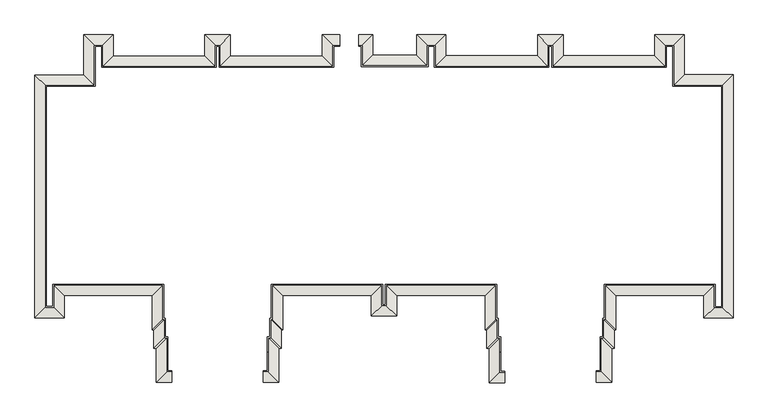
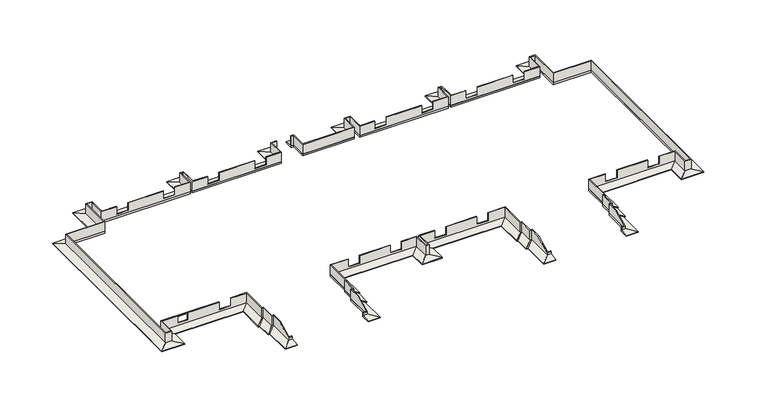
"""IFC4 building model written with IfcOpenShell, lengths in millimetres: wall geometry."""

from ifc_helpers import new_model, si_unit, origin, place, context, project, spatial, faceted_brep, source, transform, mapped, element, save


def wall_ce896fff(model_context):
    return source(origin(), model_context, "Body", "Brep", [
        faceted_brep([(-7400.0, -16535.7022443, -1200.0), (-7400.0, -15835.7022443, -1100.0), (-7400.0, -15835.7022443, -1245.0), (-7400.0, -16535.7022443, -1245.0), (7400.0, -16585.7022443, -1200.0), (7400.0, -16585.7022443, -1245.0), (7400.0, -15885.7022443, -1245.0), (7400.0, -15885.7022443, -1100.0), (-6450.0, -16535.7022443, -1200.0), (-7150.0, -15835.7022443, -1100.0), (-7150.0, -15835.7022443, -1245.0), (-7150.0, -13765.7022443, -1245.0), (-7000.0, -13765.7022443, -1245.0), (-7000.0, -12630.7022443, -1245.0), (-6900.0, -12630.7022443, -1245.0), (-6900.0, -10530.7022443, -1245.0), (-90.0, -10530.7022443, -1245.0), (-90.0, -11785.7022443, -1245.0), (90.0, -11785.7022443, -1245.0), (90.0, -10530.7022443, -1245.0), (6900.0, -10530.7022443, -1245.0), (6900.0, -12630.7022443, -1245.0), (7000.0, -12630.7022443, -1245.0), (7000.0, -13765.7022443, -1245.0), (7150.0, -13765.7022443, -1245.0), (7150.0, -15885.7022443, -1245.0), (6450.0, -16585.7022443, -1245.0), (6450.0, -14465.7022443, -1245.0), (6300.0, -14465.7022443, -1245.0), (6300.0, -13330.7022443, -1245.0), (6200.0, -13330.7022443, -1245.0), (6200.0, -11230.7022443, -1245.0), (790.0, -11230.7022443, -1245.0), (790.0, -12485.7022443, -1245.0), (-790.0, -12485.7022443, -1245.0), (-790.0, -11230.7022443, -1245.0), (-6200.0, -11230.7022443, -1245.0), (-6200.0, -13330.7022443, -1245.0), (-6300.0, -13330.7022443, -1245.0), (-6300.0, -14465.7022443, -1245.0), (-6450.0, -14465.7022443, -1245.0), (-6450.0, -16535.7022443, -1245.0), (-6450.0, -14465.7022443, -1200.0), (-7150.0, -13765.7022443, -1100.0), (-6300.0, -14465.7022443, -1200.0), (-7000.0, -13765.7022443, -1100.0), (-6300.0, -13330.7022443, -1200.0), (-7000.0, -12630.7022443, -1100.0), (-6200.0, -13330.7022443, -1200.0), (-6900.0, -12630.7022443, -1100.0), (-6200.0, -11230.7022443, -1200.0), (-6900.0, -10530.7022443, -1100.0), (-790.0, -11230.7022443, -1200.0), (-90.0, -10530.7022443, -1100.0), (-790.0, -12485.7022443, -1200.0), (-90.0, -11785.7022443, -1100.0), (790.0, -12485.7022443, -1200.0), (90.0, -11785.7022443, -1100.0), (790.0, -11230.7022443, -1200.0), (90.0, -10530.7022443, -1100.0), (6200.0, -11230.7022443, -1200.0), (6900.0, -10530.7022443, -1100.0), (6200.0, -13330.7022443, -1200.0), (6900.0, -12630.7022443, -1100.0), (6300.0, -13330.7022443, -1200.0), (7000.0, -12630.7022443, -1100.0), (6300.0, -14465.7022443, -1200.0), (7000.0, -13765.7022443, -1100.0), (6450.0, -14465.7022443, -1200.0), (7150.0, -13765.7022443, -1100.0), (6450.0, -16585.7022443, -1200.0), (7150.0, -15885.7022443, -1100.0)], [[[0, 1, 2, 3]], [[4, 5, 6, 7]], [[1, 0, 8, 9]], [[2, 1, 9, 10]], [[3, 2, 10, 11, 12, 13, 14, 15, 16, 17, 18, 19, 20, 21, 22, 23, 24, 25, 6, 5, 26, 27, 28, 29, 30, 31, 32, 33, 34, 35, 36, 37, 38, 39, 40, 41]], [[0, 3, 41, 8]], [[9, 8, 42, 43]], [[10, 9, 43, 11]], [[41, 40, 42, 8]], [[43, 42, 44, 45]], [[12, 11, 43, 45]], [[40, 39, 44, 42]], [[45, 44, 46, 47]], [[13, 12, 45, 47]], [[39, 38, 46, 44]], [[47, 46, 48, 49]], [[14, 13, 47, 49]], [[38, 37, 48, 46]], [[49, 48, 50, 51]], [[15, 14, 49, 51]], [[37, 36, 50, 48]], [[51, 50, 52, 53]], [[16, 15, 51, 53]], [[36, 35, 52, 50]], [[53, 52, 54, 55]], [[17, 16, 53, 55]], [[35, 34, 54, 52]], [[55, 54, 56, 57]], [[18, 17, 55, 57]], [[34, 33, 56, 54]], [[57, 56, 58, 59]], [[19, 18, 57, 59]], [[33, 32, 58, 56]], [[59, 58, 60, 61]], [[20, 19, 59, 61]], [[32, 31, 60, 58]], [[61, 60, 62, 63]], [[21, 20, 61, 63]], [[31, 30, 62, 60]], [[63, 62, 64, 65]], [[22, 21, 63, 65]], [[30, 29, 64, 62]], [[65, 64, 66, 67]], [[23, 22, 65, 67]], [[29, 28, 66, 64]], [[67, 66, 68, 69]], [[24, 23, 67, 69]], [[28, 27, 68, 66]], [[69, 68, 70, 71]], [[25, 24, 69, 71]], [[27, 26, 70, 68]], [[4, 7, 71, 70]], [[7, 6, 25, 71]], [[5, 4, 70, 26]]]),
        faceted_brep([(-7400.0, -15835.7022443, -1092.8571429), (-7400.0, -15885.7022443, -1100.0), (-7400.0, -15885.7022443, -910.0), (-7400.0, -15835.7022443, -885.0), (7400.0, -15935.7022443, -1100.0), (7400.0, -15885.7022443, -1092.8571429), (7400.0, -15885.7022443, -910.0), (7400.0, -15935.7022443, -935.0), (-7150.0, -15835.7022443, -1092.8571429), (-7150.0, -15835.7022443, -885.0), (-7100.0, -15885.7022443, -1100.0), (-7100.0, -15885.7022443, -910.0), (-7100.0, -13815.7022443, -300.0), (-6950.0, -13815.7022443, -300.0), (-6950.0, -12680.7022443, -300.0), (-6850.0, -12680.7022443, -300.0), (-6850.0, -10580.7022443, -300.0), (-5530.0, -10580.7022443, -300.0), (-5530.0, -10530.7022443, -300.0), (-6900.0, -10530.7022443, -300.0), (-6900.0, -12630.7022443, -300.0), (-7000.0, -12630.7022443, -300.0), (-7000.0, -13765.7022443, -300.0), (-7150.0, -13765.7022443, -300.0), (-7150.0, -14665.7022443, -300.0), (-7100.0, -14665.7022443, -300.0), (-140.0, -10580.7022443, -300.0), (-140.0, -11835.7022443, -300.0), (140.0, -11835.7022443, -300.0), (140.0, -10580.7022443, -300.0), (1290.0, -10580.7022443, -300.0), (1290.0, -10530.7022443, -300.0), (90.0, -10530.7022443, -300.0), (90.0, -11785.7022443, -300.0), (-90.0, -11785.7022443, -300.0), (-90.0, -10530.7022443, -300.0), (-1290.0, -10530.7022443, -300.0), (-1290.0, -10580.7022443, -300.0), (6850.0, -10580.7022443, -300.0), (6850.0, -12680.7022443, -300.0), (6950.0, -12680.7022443, -300.0), (6950.0, -13815.7022443, -300.0), (7100.0, -13815.7022443, -300.0), (7100.0, -14665.7022443, -300.0), (7150.0, -14665.7022443, -300.0), (7150.0, -13765.7022443, -300.0), (7000.0, -13765.7022443, -300.0), (7000.0, -12630.7022443, -300.0), (6900.0, -12630.7022443, -300.0), (6900.0, -10530.7022443, -300.0), (5530.0, -10530.7022443, -300.0), (5530.0, -10580.7022443, -300.0), (-2200.0, -10580.7022443, -300.0), (-2200.0, -10530.7022443, -300.0), (-4620.0, -10530.7022443, -300.0), (-4620.0, -10580.7022443, -300.0), (2200.0, -10530.7022443, -300.0), (2200.0, -10580.7022443, -300.0), (4620.0, -10580.7022443, -300.0), (4620.0, -10530.7022443, -300.0), (-7150.0, -13765.7022443, -1092.8571429), (-7100.0, -13815.7022443, -1100.0), (-7000.0, -13765.7022443, -1092.8571429), (-6950.0, -13815.7022443, -1100.0), (-7000.0, -12630.7022443, -1092.8571429), (-6950.0, -12680.7022443, -1100.0), (-6900.0, -12630.7022443, -1092.8571429), (-6850.0, -12680.7022443, -1100.0), (-6900.0, -10530.7022443, -1092.8571429), (-6850.0, -10580.7022443, -1100.0), (-5530.0, -10530.7022443, -930.0), (-4620.0, -10530.7022443, -930.0), (-2200.0, -10530.7022443, -930.0), (-1290.0, -10530.7022443, -930.0), (-90.0, -10530.7022443, -1092.8571429), (-140.0, -10580.7022443, -1100.0), (-1290.0, -10580.7022443, -930.0), (-2200.0, -10580.7022443, -930.0), (-4620.0, -10580.7022443, -930.0), (-5530.0, -10580.7022443, -930.0), (-90.0, -11785.7022443, -1092.8571429), (-140.0, -11835.7022443, -1100.0), (90.0, -11785.7022443, -1092.8571429), (140.0, -11835.7022443, -1100.0), (90.0, -10530.7022443, -1092.8571429), (140.0, -10580.7022443, -1100.0), (1290.0, -10530.7022443, -930.0), (2200.0, -10530.7022443, -930.0), (4620.0, -10530.7022443, -930.0), (5530.0, -10530.7022443, -930.0), (6900.0, -10530.7022443, -1092.8571429), (6850.0, -10580.7022443, -1100.0), (5530.0, -10580.7022443, -930.0), (4620.0, -10580.7022443, -930.0), (2200.0, -10580.7022443, -930.0), (1290.0, -10580.7022443, -930.0), (6900.0, -12630.7022443, -1092.8571429), (6850.0, -12680.7022443, -1100.0), (7000.0, -12630.7022443, -1092.8571429), (6950.0, -12680.7022443, -1100.0), (7000.0, -13765.7022443, -1092.8571429), (6950.0, -13815.7022443, -1100.0), (7150.0, -13765.7022443, -1092.8571429), (7100.0, -13815.7022443, -1100.0), (7150.0, -15885.7022443, -910.0), (7150.0, -15885.7022443, -1092.8571429), (7100.0, -15935.7022443, -1100.0), (7100.0, -15935.7022443, -935.0)], [[[0, 1, 2, 3]], [[4, 5, 6, 7]], [[8, 0, 3, 9]], [[1, 0, 8, 10]], [[1, 10, 11, 2]], [[12, 13, 14, 15, 16, 17, 18, 19, 20, 21, 22, 23, 24, 25]], [[26, 27, 28, 29, 30, 31, 32, 33, 34, 35, 36, 37]], [[38, 39, 40, 41, 42, 43, 44, 45, 46, 47, 48, 49, 50, 51]], [[52, 53, 54, 55]], [[56, 57, 58, 59]], [[23, 60, 8, 9, 24]], [[10, 8, 60, 61]], [[10, 61, 12, 25, 11]], [[23, 22, 62, 60]], [[61, 60, 62, 63]], [[13, 12, 61, 63]], [[22, 21, 64, 62]], [[63, 62, 64, 65]], [[14, 13, 63, 65]], [[21, 20, 66, 64]], [[65, 64, 66, 67]], [[15, 14, 65, 67]], [[20, 19, 68, 66]], [[67, 66, 68, 69]], [[16, 15, 67, 69]], [[68, 19, 18, 70, 71, 54, 53, 72, 73, 36, 35, 74]], [[69, 68, 74, 75]], [[16, 69, 75, 26, 37, 76, 77, 52, 55, 78, 79, 17]], [[35, 34, 80, 74]], [[75, 74, 80, 81]], [[27, 26, 75, 81]], [[34, 33, 82, 80]], [[81, 80, 82, 83]], [[28, 27, 81, 83]], [[33, 32, 84, 82]], [[83, 82, 84, 85]], [[29, 28, 83, 85]], [[84, 32, 31, 86, 87, 56, 59, 88, 89, 50, 49, 90]], [[85, 84, 90, 91]], [[29, 85, 91, 38, 51, 92, 93, 58, 57, 94, 95, 30]], [[49, 48, 96, 90]], [[91, 90, 96, 97]], [[39, 38, 91, 97]], [[48, 47, 98, 96]], [[97, 96, 98, 99]], [[40, 39, 97, 99]], [[47, 46, 100, 98]], [[99, 98, 100, 101]], [[41, 40, 99, 101]], [[46, 45, 102, 100]], [[101, 100, 102, 103]], [[42, 41, 101, 103]], [[102, 45, 44, 104, 105]], [[103, 102, 105, 106]], [[42, 103, 106, 107, 43]], [[5, 105, 104, 6]], [[5, 4, 106, 105]], [[106, 4, 7, 107]], [[3, 2, 11, 25, 24, 9]], [[7, 6, 104, 44, 43, 107]], [[76, 73, 72, 77]], [[77, 72, 53, 52]], [[73, 76, 37, 36]], [[94, 87, 86, 95]], [[95, 86, 31, 30]], [[87, 94, 57, 56]], [[92, 89, 88, 93]], [[93, 88, 59, 58]], [[89, 92, 51, 50]], [[78, 71, 70, 79]], [[79, 70, 18, 17]], [[71, 78, 55, 54]]]),
        faceted_brep([(13000.0, -16535.7022443, -1200.0), (13000.0, -15835.7022443, -1100.0), (13000.0, -15835.7022443, -1245.0), (13000.0, -16535.7022443, -1245.0), (-1560.0, 4774.2977557, -1200.0), (-1560.0, 4774.2977557, -1245.0), (-1560.0, 4074.2977557, -1245.0), (-1560.0, 4074.2977557, -1100.0), (13950.0, -16535.7022443, -1200.0), (13250.0, -15835.7022443, -1100.0), (13250.0, -15835.7022443, -1245.0), (13250.0, -13765.7022443, -1245.0), (13400.0, -13765.7022443, -1245.0), (13400.0, -12630.7022443, -1245.0), (13500.0, -12630.7022443, -1245.0), (13500.0, -10530.7022443, -1245.0), (20310.0, -10530.7022443, -1245.0), (20310.0, -11905.7022443, -1245.0), (20700.0, -11905.7022443, -1245.0), (20700.0, 1619.2977557, -1245.0), (17700.0, 1619.2977557, -1245.0), (17700.0, 4074.2977557, -1245.0), (17310.0, 4074.2977557, -1245.0), (17310.0, 2784.2977557, -1245.0), (10290.0, 2784.2977557, -1245.0), (10290.0, 4074.2977557, -1245.0), (10110.0, 4074.2977557, -1245.0), (10110.0, 2784.2977557, -1245.0), (3095.0, 2784.2977557, -1245.0), (3095.0, 4074.2977557, -1245.0), (2700.0, 4074.2977557, -1245.0), (2700.0, 2834.2977557, -1245.0), (-1380.0, 2834.2977557, -1245.0), (-1380.0, 4074.2977557, -1245.0), (-680.0, 4774.2977557, -1245.0), (-680.0, 3534.2977557, -1245.0), (2000.0, 3534.2977557, -1245.0), (2000.0, 4774.2977557, -1245.0), (3795.0, 4774.2977557, -1245.0), (3795.0, 3484.2977557, -1245.0), (9410.0, 3484.2977557, -1245.0), (9410.0, 4774.2977557, -1245.0), (10990.0, 4774.2977557, -1245.0), (10990.0, 3484.2977557, -1245.0), (16610.0, 3484.2977557, -1245.0), (16610.0, 4774.2977557, -1245.0), (18400.0, 4774.2977557, -1245.0), (18400.0, 2319.2977557, -1245.0), (21400.0, 2319.2977557, -1245.0), (21400.0, -12605.7022443, -1245.0), (19610.0, -12605.7022443, -1245.0), (19610.0, -11230.7022443, -1245.0), (14200.0, -11230.7022443, -1245.0), (14200.0, -13330.7022443, -1245.0), (14100.0, -13330.7022443, -1245.0), (14100.0, -14465.7022443, -1245.0), (13950.0, -14465.7022443, -1245.0), (13950.0, -16535.7022443, -1245.0), (13950.0, -14465.7022443, -1200.0), (13250.0, -13765.7022443, -1100.0), (14100.0, -14465.7022443, -1200.0), (13400.0, -13765.7022443, -1100.0), (14100.0, -13330.7022443, -1200.0), (13400.0, -12630.7022443, -1100.0), (14200.0, -13330.7022443, -1200.0), (13500.0, -12630.7022443, -1100.0), (14200.0, -11230.7022443, -1200.0), (13500.0, -10530.7022443, -1100.0), (19610.0, -11230.7022443, -1200.0), (20310.0, -10530.7022443, -1100.0), (19610.0, -12605.7022443, -1200.0), (20310.0, -11905.7022443, -1100.0), (21400.0, -12605.7022443, -1200.0), (20700.0, -11905.7022443, -1100.0), (21400.0, 2319.2977557, -1200.0), (20700.0, 1619.2977557, -1100.0), (18400.0, 2319.2977557, -1200.0), (17700.0, 1619.2977557, -1100.0), (18400.0, 4774.2977557, -1200.0), (17700.0, 4074.2977557, -1100.0), (16610.0, 4774.2977557, -1200.0), (17310.0, 4074.2977557, -1100.0), (16610.0, 3484.2977557, -1200.0), (17310.0, 2784.2977557, -1100.0), (10990.0, 3484.2977557, -1200.0), (10290.0, 2784.2977557, -1100.0), (10990.0, 4774.2977557, -1200.0), (10290.0, 4074.2977557, -1100.0), (9410.0, 4774.2977557, -1200.0), (10110.0, 4074.2977557, -1100.0), (9410.0, 3484.2977557, -1200.0), (10110.0, 2784.2977557, -1100.0), (3795.0, 3484.2977557, -1200.0), (3095.0, 2784.2977557, -1100.0), (3795.0, 4774.2977557, -1200.0), (3095.0, 4074.2977557, -1100.0), (2000.0, 4774.2977557, -1200.0), (2700.0, 4074.2977557, -1100.0), (2000.0, 3534.2977557, -1200.0), (2700.0, 2834.2977557, -1100.0), (-680.0, 3534.2977557, -1200.0), (-1380.0, 2834.2977557, -1100.0), (-680.0, 4774.2977557, -1200.0), (-1380.0, 4074.2977557, -1100.0)], [[[0, 1, 2, 3]], [[4, 5, 6, 7]], [[1, 0, 8, 9]], [[2, 1, 9, 10]], [[3, 2, 10, 11, 12, 13, 14, 15, 16, 17, 18, 19, 20, 21, 22, 23, 24, 25, 26, 27, 28, 29, 30, 31, 32, 33, 6, 5, 34, 35, 36, 37, 38, 39, 40, 41, 42, 43, 44, 45, 46, 47, 48, 49, 50, 51, 52, 53, 54, 55, 56, 57]], [[0, 3, 57, 8]], [[9, 8, 58, 59]], [[10, 9, 59, 11]], [[57, 56, 58, 8]], [[59, 58, 60, 61]], [[12, 11, 59, 61]], [[56, 55, 60, 58]], [[61, 60, 62, 63]], [[13, 12, 61, 63]], [[55, 54, 62, 60]], [[63, 62, 64, 65]], [[14, 13, 63, 65]], [[54, 53, 64, 62]], [[65, 64, 66, 67]], [[15, 14, 65, 67]], [[53, 52, 66, 64]], [[67, 66, 68, 69]], [[16, 15, 67, 69]], [[52, 51, 68, 66]], [[69, 68, 70, 71]], [[17, 16, 69, 71]], [[51, 50, 70, 68]], [[71, 70, 72, 73]], [[18, 17, 71, 73]], [[50, 49, 72, 70]], [[73, 72, 74, 75]], [[19, 18, 73, 75]], [[49, 48, 74, 72]], [[75, 74, 76, 77]], [[20, 19, 75, 77]], [[48, 47, 76, 74]], [[77, 76, 78, 79]], [[21, 20, 77, 79]], [[47, 46, 78, 76]], [[79, 78, 80, 81]], [[22, 21, 79, 81]], [[46, 45, 80, 78]], [[81, 80, 82, 83]], [[23, 22, 81, 83]], [[45, 44, 82, 80]], [[83, 82, 84, 85]], [[24, 23, 83, 85]], [[44, 43, 84, 82]], [[85, 84, 86, 87]], [[25, 24, 85, 87]], [[43, 42, 86, 84]], [[87, 86, 88, 89]], [[26, 25, 87, 89]], [[42, 41, 88, 86]], [[89, 88, 90, 91]], [[27, 26, 89, 91]], [[41, 40, 90, 88]], [[91, 90, 92, 93]], [[28, 27, 91, 93]], [[40, 39, 92, 90]], [[93, 92, 94, 95]], [[29, 28, 93, 95]], [[39, 38, 94, 92]], [[95, 94, 96, 97]], [[30, 29, 95, 97]], [[38, 37, 96, 94]], [[97, 96, 98, 99]], [[31, 30, 97, 99]], [[37, 36, 98, 96]], [[99, 98, 100, 101]], [[32, 31, 99, 101]], [[36, 35, 100, 98]], [[101, 100, 102, 103]], [[33, 32, 101, 103]], [[35, 34, 102, 100]], [[4, 7, 103, 102]], [[7, 6, 33, 103]], [[5, 4, 102, 34]]]),
        faceted_brep([(13000.0, -15835.7022443, -1092.8571429), (13000.0, -15885.7022443, -1100.0), (13000.0, -15885.7022443, -910.0), (13000.0, -15835.7022443, -885.0), (-1560.0, 4074.2977557, -300.0), (-1560.0, 4124.2977557, -300.0), (-1560.0, 4124.2977557, -1100.0), (-1560.0, 4074.2977557, -1092.8571429), (13250.0, -15835.7022443, -1092.8571429), (13250.0, -15835.7022443, -885.0), (13300.0, -15885.7022443, -1100.0), (13300.0, -15885.7022443, -910.0), (-1380.0, 4074.2977557, -300.0), (-1380.0, 2834.2977557, -300.0), (2700.0, 2834.2977557, -300.0), (2700.0, 4074.2977557, -300.0), (3095.0, 4074.2977557, -300.0), (3095.0, 2784.2977557, -300.0), (4295.0, 2784.2977557, -300.0), (4295.0, 2834.2977557, -300.0), (3145.0, 2834.2977557, -300.0), (3145.0, 4124.2977557, -300.0), (2650.0, 4124.2977557, -300.0), (2650.0, 2884.2977557, -300.0), (-1330.0, 2884.2977557, -300.0), (-1330.0, 4124.2977557, -300.0), (13300.0, -13815.7022443, -300.0), (13450.0, -13815.7022443, -300.0), (13450.0, -12680.7022443, -300.0), (13550.0, -12680.7022443, -300.0), (13550.0, -10580.7022443, -300.0), (14790.0, -10580.7022443, -300.0), (14790.0, -10530.7022443, -300.0), (13500.0, -10530.7022443, -300.0), (13500.0, -12630.7022443, -300.0), (13400.0, -12630.7022443, -300.0), (13400.0, -13765.7022443, -300.0), (13250.0, -13765.7022443, -300.0), (13250.0, -14665.7022443, -300.0), (13300.0, -14665.7022443, -300.0), (20260.0, -10580.7022443, -300.0), (20260.0, -11955.7022443, -300.0), (20750.0, -11955.7022443, -300.0), (20750.0, 1669.2977557, -300.0), (17750.0, 1669.2977557, -300.0), (17750.0, 4124.2977557, -300.0), (17260.0, 4124.2977557, -300.0), (17260.0, 2834.2977557, -300.0), (16105.0, 2834.2977557, -300.0), (16105.0, 2784.2977557, -300.0), (17310.0, 2784.2977557, -300.0), (17310.0, 4074.2977557, -300.0), (17700.0, 4074.2977557, -300.0), (17700.0, 1619.2977557, -300.0), (20700.0, 1619.2977557, -300.0), (20700.0, -11905.7022443, -300.0), (20310.0, -11905.7022443, -300.0), (20310.0, -10530.7022443, -300.0), (19030.0, -10530.7022443, -300.0), (19030.0, -10580.7022443, -300.0), (10340.0, 2834.2977557, -300.0), (10340.0, 4124.2977557, -300.0), (10060.0, 4124.2977557, -300.0), (10060.0, 2834.2977557, -300.0), (8910.0, 2834.2977557, -300.0), (8910.0, 2784.2977557, -300.0), (10110.0, 2784.2977557, -300.0), (10110.0, 4074.2977557, -300.0), (10290.0, 4074.2977557, -300.0), (10290.0, 2784.2977557, -300.0), (11490.0, 2784.2977557, -300.0), (11490.0, 2834.2977557, -300.0), (8000.0, 2784.2977557, -300.0), (8000.0, 2834.2977557, -300.0), (5205.0, 2834.2977557, -300.0), (5205.0, 2784.2977557, -300.0), (18120.0, -10580.7022443, -300.0), (18120.0, -10530.7022443, -300.0), (15700.0, -10530.7022443, -300.0), (15700.0, -10580.7022443, -300.0), (15195.0, 2784.2977557, -300.0), (15195.0, 2834.2977557, -300.0), (12400.0, 2834.2977557, -300.0), (12400.0, 2784.2977557, -300.0), (13250.0, -13765.7022443, -1092.8571429), (13300.0, -13815.7022443, -1100.0), (13400.0, -13765.7022443, -1092.8571429), (13450.0, -13815.7022443, -1100.0), (13400.0, -12630.7022443, -1092.8571429), (13450.0, -12680.7022443, -1100.0), (13500.0, -12630.7022443, -1092.8571429), (13550.0, -12680.7022443, -1100.0), (13500.0, -10530.7022443, -1092.8571429), (13550.0, -10580.7022443, -1100.0), (14790.0, -10530.7022443, -930.0), (15700.0, -10530.7022443, -930.0), (18120.0, -10530.7022443, -930.0), (19030.0, -10530.7022443, -930.0), (20310.0, -10530.7022443, -1092.8571429), (20260.0, -10580.7022443, -1100.0), (19030.0, -10580.7022443, -930.0), (18120.0, -10580.7022443, -930.0), (15700.0, -10580.7022443, -930.0), (14790.0, -10580.7022443, -930.0), (20310.0, -11905.7022443, -1092.8571429), (20260.0, -11955.7022443, -1100.0), (20700.0, -11905.7022443, -1092.8571429), (20750.0, -11955.7022443, -1100.0), (20700.0, 1619.2977557, -1092.8571429), (20750.0, 1669.2977557, -1100.0), (17700.0, 1619.2977557, -1092.8571429), (17750.0, 1669.2977557, -1100.0), (17700.0, 4074.2977557, -1092.8571429), (17750.0, 4124.2977557, -1100.0), (17310.0, 4074.2977557, -1092.8571429), (17260.0, 4124.2977557, -1100.0), (17310.0, 2784.2977557, -1092.8571429), (17260.0, 2834.2977557, -1100.0), (16105.0, 2784.2977557, -930.0), (15195.0, 2784.2977557, -930.0), (12400.0, 2784.2977557, -930.0), (11490.0, 2784.2977557, -930.0), (10290.0, 2784.2977557, -1092.8571429), (10340.0, 2834.2977557, -1100.0), (11490.0, 2834.2977557, -930.0), (12400.0, 2834.2977557, -930.0), (15195.0, 2834.2977557, -930.0), (16105.0, 2834.2977557, -930.0), (10290.0, 4074.2977557, -1092.8571429), (10340.0, 4124.2977557, -1100.0), (10110.0, 4074.2977557, -1092.8571429), (10060.0, 4124.2977557, -1100.0), (10110.0, 2784.2977557, -1092.8571429), (10060.0, 2834.2977557, -1100.0), (8910.0, 2784.2977557, -930.0), (8000.0, 2784.2977557, -930.0), (5205.0, 2784.2977557, -930.0), (4295.0, 2784.2977557, -930.0), (3095.0, 2784.2977557, -1092.8571429), (3145.0, 2834.2977557, -1100.0), (4295.0, 2834.2977557, -930.0), (5205.0, 2834.2977557, -930.0), (8000.0, 2834.2977557, -930.0), (8910.0, 2834.2977557, -930.0), (3095.0, 4074.2977557, -1092.8571429), (3145.0, 4124.2977557, -1100.0), (2700.0, 4074.2977557, -1092.8571429), (2650.0, 4124.2977557, -1100.0), (2700.0, 2834.2977557, -1092.8571429), (2650.0, 2884.2977557, -1100.0), (-1380.0, 2834.2977557, -1092.8571429), (-1330.0, 2884.2977557, -1100.0), (-1380.0, 4074.2977557, -1092.8571429), (-1330.0, 4124.2977557, -1100.0)], [[[0, 1, 2, 3]], [[4, 5, 6, 7]], [[8, 0, 3, 9]], [[1, 0, 8, 10]], [[1, 10, 11, 2]], [[5, 4, 12, 13, 14, 15, 16, 17, 18, 19, 20, 21, 22, 23, 24, 25]], [[26, 27, 28, 29, 30, 31, 32, 33, 34, 35, 36, 37, 38, 39]], [[40, 41, 42, 43, 44, 45, 46, 47, 48, 49, 50, 51, 52, 53, 54, 55, 56, 57, 58, 59]], [[60, 61, 62, 63, 64, 65, 66, 67, 68, 69, 70, 71]], [[72, 73, 74, 75]], [[76, 77, 78, 79]], [[80, 81, 82, 83]], [[37, 84, 8, 9, 38]], [[10, 8, 84, 85]], [[10, 85, 26, 39, 11]], [[37, 36, 86, 84]], [[85, 84, 86, 87]], [[27, 26, 85, 87]], [[36, 35, 88, 86]], [[87, 86, 88, 89]], [[28, 27, 87, 89]], [[35, 34, 90, 88]], [[89, 88, 90, 91]], [[29, 28, 89, 91]], [[34, 33, 92, 90]], [[91, 90, 92, 93]], [[30, 29, 91, 93]], [[92, 33, 32, 94, 95, 78, 77, 96, 97, 58, 57, 98]], [[93, 92, 98, 99]], [[30, 93, 99, 40, 59, 100, 101, 76, 79, 102, 103, 31]], [[57, 56, 104, 98]], [[99, 98, 104, 105]], [[41, 40, 99, 105]], [[56, 55, 106, 104]], [[105, 104, 106, 107]], [[42, 41, 105, 107]], [[55, 54, 108, 106]], [[107, 106, 108, 109]], [[43, 42, 107, 109]], [[54, 53, 110, 108]], [[109, 108, 110, 111]], [[44, 43, 109, 111]], [[53, 52, 112, 110]], [[111, 110, 112, 113]], [[45, 44, 111, 113]], [[52, 51, 114, 112]], [[113, 112, 114, 115]], [[46, 45, 113, 115]], [[51, 50, 116, 114]], [[115, 114, 116, 117]], [[47, 46, 115, 117]], [[116, 50, 49, 118, 119, 80, 83, 120, 121, 70, 69, 122]], [[117, 116, 122, 123]], [[47, 117, 123, 60, 71, 124, 125, 82, 81, 126, 127, 48]], [[69, 68, 128, 122]], [[123, 122, 128, 129]], [[61, 60, 123, 129]], [[68, 67, 130, 128]], [[129, 128, 130, 131]], [[62, 61, 129, 131]], [[67, 66, 132, 130]], [[131, 130, 132, 133]], [[63, 62, 131, 133]], [[132, 66, 65, 134, 135, 72, 75, 136, 137, 18, 17, 138]], [[133, 132, 138, 139]], [[63, 133, 139, 20, 19, 140, 141, 74, 73, 142, 143, 64]], [[17, 16, 144, 138]], [[139, 138, 144, 145]], [[21, 20, 139, 145]], [[16, 15, 146, 144]], [[145, 144, 146, 147]], [[22, 21, 145, 147]], [[15, 14, 148, 146]], [[147, 146, 148, 149]], [[23, 22, 147, 149]], [[14, 13, 150, 148]], [[149, 148, 150, 151]], [[24, 23, 149, 151]], [[13, 12, 152, 150]], [[151, 150, 152, 153]], [[25, 24, 151, 153]], [[4, 7, 152, 12]], [[7, 6, 153, 152]], [[6, 5, 25, 153]], [[3, 2, 11, 39, 38, 9]], [[100, 97, 96, 101]], [[101, 96, 77, 76]], [[97, 100, 59, 58]], [[118, 127, 126, 119]], [[119, 126, 81, 80]], [[127, 118, 49, 48]], [[120, 125, 124, 121]], [[121, 124, 71, 70]], [[125, 120, 83, 82]], [[134, 143, 142, 135]], [[135, 142, 73, 72]], [[143, 134, 65, 64]], [[102, 95, 94, 103]], [[103, 94, 32, 31]], [[95, 102, 79, 78]], [[136, 141, 140, 137]], [[137, 140, 19, 18]], [[141, 136, 75, 74]]]),
        faceted_brep([(-2700.0, 4774.2977557, -1200.0), (-2700.0, 4074.2977557, -1100.0), (-2700.0, 4074.2977557, -1245.0), (-2700.0, 4774.2977557, -1245.0), (-3090.0, 2779.2977557, -1100.0), (-3790.0, 3479.2977557, -1200.0), (-9410.0, 3479.2977557, -1200.0), (-10110.0, 2779.2977557, -1100.0), (-3090.0, 2779.2977557, -1245.0), (-10110.0, 2779.2977557, -1245.0), (-3790.0, 3479.2977557, -1245.0), (-9410.0, 3479.2977557, -1245.0), (-17310.0, 2779.2977557, -1100.0), (-16610.0, 3479.2977557, -1200.0), (-16610.0, 4774.2977557, -1200.0), (-17310.0, 4074.2977557, -1100.0), (-17310.0, 2779.2977557, -1245.0), (-17310.0, 4074.2977557, -1245.0), (-16610.0, 3479.2977557, -1245.0), (-16610.0, 4774.2977557, -1245.0), (-18400.0, 4774.2977557, -1200.0), (-17700.0, 4074.2977557, -1100.0), (-17700.0, 4074.2977557, -1245.0), (-18400.0, 4774.2977557, -1245.0), (-18400.0, 2314.2977557, -1200.0), (-17700.0, 1614.2977557, -1100.0), (-17700.0, 1614.2977557, -1245.0), (-18400.0, 2314.2977557, -1245.0), (-21400.0, 2314.2977557, -1200.0), (-20700.0, 1614.2977557, -1100.0), (-20700.0, 1614.2977557, -1245.0), (-21400.0, 2314.2977557, -1245.0), (-21400.0, -12600.7022443, -1200.0), (-20700.0, -11900.7022443, -1100.0), (-20700.0, -11900.7022443, -1245.0), (-21400.0, -12600.7022443, -1245.0), (-19610.0, -12600.7022443, -1200.0), (-20310.0, -11900.7022443, -1100.0), (-20310.0, -11900.7022443, -1245.0), (-19610.0, -12600.7022443, -1245.0), (-19610.0, -11230.7022443, -1200.0), (-20310.0, -10530.7022443, -1100.0), (-20310.0, -10530.7022443, -1245.0), (-20310.0, -10530.7022443, -1200.0), (-19610.0, -11230.7022443, -1245.0), (-13000.0, -16535.7022443, -1200.0), (-13000.0, -16535.7022443, -1245.0), (-13000.0, -15835.7022443, -1245.0), (-13000.0, -15835.7022443, -1100.0), (-14200.0, -11230.7022443, -1200.0), (-13500.0, -10530.7022443, -1100.0), (-13500.0, -10530.7022443, -1245.0), (-13500.0, -10530.7022443, -1200.0), (-14200.0, -11230.7022443, -1245.0), (-3790.0, 4774.2977557, -1200.0), (-3090.0, 4074.2977557, -1100.0), (-3090.0, 4074.2977557, -1245.0), (-10110.0, 4074.2977557, -1245.0), (-10290.0, 4074.2977557, -1245.0), (-10290.0, 2779.2977557, -1245.0), (-13500.0, -12630.7022443, -1245.0), (-13400.0, -12630.7022443, -1245.0), (-13400.0, -13765.7022443, -1245.0), (-13250.0, -13765.7022443, -1245.0), (-13250.0, -15835.7022443, -1245.0), (-13950.0, -16535.7022443, -1245.0), (-13950.0, -14465.7022443, -1245.0), (-14100.0, -14465.7022443, -1245.0), (-14100.0, -13330.7022443, -1245.0), (-14200.0, -13330.7022443, -1245.0), (-10990.0, 3479.2977557, -1245.0), (-10990.0, 4774.2977557, -1245.0), (-9410.0, 4774.2977557, -1245.0), (-3790.0, 4774.2977557, -1245.0), (-9410.0, 4774.2977557, -1200.0), (-10110.0, 4074.2977557, -1100.0), (-10990.0, 4774.2977557, -1200.0), (-10290.0, 4074.2977557, -1100.0), (-10990.0, 3479.2977557, -1200.0), (-10290.0, 2779.2977557, -1100.0), (-14200.0, -13330.7022443, -1200.0), (-13500.0, -12630.7022443, -1100.0), (-14100.0, -13330.7022443, -1200.0), (-13400.0, -12630.7022443, -1100.0), (-14100.0, -14465.7022443, -1200.0), (-13400.0, -13765.7022443, -1100.0), (-13950.0, -14465.7022443, -1200.0), (-13250.0, -13765.7022443, -1100.0), (-13950.0, -16535.7022443, -1200.0), (-13250.0, -15835.7022443, -1100.0)], [[[0, 1, 2, 3]], [[4, 5, 6, 7]], [[8, 4, 7, 9]], [[5, 10, 11, 6]], [[12, 13, 14, 15]], [[16, 12, 15, 17]], [[18, 19, 14, 13]], [[15, 14, 20, 21]], [[22, 17, 15, 21]], [[19, 23, 20, 14]], [[21, 20, 24, 25]], [[26, 22, 21, 25]], [[23, 27, 24, 20]], [[25, 24, 28, 29]], [[30, 26, 25, 29]], [[27, 31, 28, 24]], [[29, 28, 32, 33]], [[34, 30, 29, 33]], [[31, 35, 32, 28]], [[33, 32, 36, 37]], [[38, 34, 33, 37]], [[35, 39, 36, 32]], [[37, 36, 40, 41]], [[42, 38, 37, 41, 43]], [[39, 44, 40, 36]], [[45, 46, 47, 48]], [[41, 40, 49, 50]], [[51, 42, 43, 41, 50, 52]], [[44, 53, 49, 40]], [[1, 0, 54, 55]], [[2, 1, 55, 56]], [[8, 9, 57, 58, 59, 16, 17, 22, 26, 30, 34, 38, 42, 51, 60, 61, 62, 63, 64, 47, 46, 65, 66, 67, 68, 69, 53, 44, 39, 35, 31, 27, 23, 19, 18, 70, 71, 72, 11, 10, 73, 3, 2, 56]], [[0, 3, 73, 54]], [[5, 4, 55, 54]], [[4, 8, 56, 55]], [[10, 5, 54, 73]], [[7, 6, 74, 75]], [[9, 7, 75, 57]], [[6, 11, 72, 74]], [[75, 74, 76, 77]], [[58, 57, 75, 77]], [[72, 71, 76, 74]], [[77, 76, 78, 79]], [[59, 58, 77, 79]], [[71, 70, 78, 76]], [[13, 12, 79, 78]], [[12, 16, 59, 79]], [[18, 13, 78, 70]], [[50, 49, 80, 81]], [[60, 51, 52, 50, 81]], [[49, 53, 69, 80]], [[81, 80, 82, 83]], [[61, 60, 81, 83]], [[69, 68, 82, 80]], [[83, 82, 84, 85]], [[62, 61, 83, 85]], [[68, 67, 84, 82]], [[85, 84, 86, 87]], [[63, 62, 85, 87]], [[67, 66, 86, 84]], [[87, 86, 88, 89]], [[64, 63, 87, 89]], [[66, 65, 88, 86]], [[45, 48, 89, 88]], [[48, 47, 64, 89]], [[46, 45, 88, 65]]]),
        faceted_brep([(-3090.0, 2779.2977557, -1092.8571429), (-3090.0, 2779.2977557, -300.0), (-4295.0, 2779.2977557, -300.0), (-4295.0, 2779.2977557, -930.0), (-5205.0, 2779.2977557, -930.0), (-5205.0, 2779.2977557, -300.0), (-8000.0, 2779.2977557, -300.0), (-8000.0, 2779.2977557, -930.0), (-8910.0, 2779.2977557, -930.0), (-8910.0, 2779.2977557, -300.0), (-10110.0, 2779.2977557, -300.0), (-10110.0, 2779.2977557, -1092.8571429), (-3140.0, 2829.2977557, -1100.0), (-10060.0, 2829.2977557, -1100.0), (-3140.0, 2829.2977557, -300.0), (-10060.0, 2829.2977557, -300.0), (-8910.0, 2829.2977557, -300.0), (-8910.0, 2829.2977557, -930.0), (-8000.0, 2829.2977557, -930.0), (-8000.0, 2829.2977557, -300.0), (-5205.0, 2829.2977557, -300.0), (-5205.0, 2829.2977557, -930.0), (-4295.0, 2829.2977557, -930.0), (-4295.0, 2829.2977557, -300.0), (-17310.0, 2779.2977557, -1092.8571429), (-17310.0, 2779.2977557, -300.0), (-17310.0, 4074.2977557, -300.0), (-17310.0, 4074.2977557, -1092.8571429), (-17260.0, 2829.2977557, -1100.0), (-17260.0, 4124.2977557, -1100.0), (-17260.0, 2829.2977557, -300.0), (-17260.0, 4124.2977557, -300.0), (-17700.0, 4074.2977557, -300.0), (-17700.0, 4074.2977557, -1092.8571429), (-17750.0, 4124.2977557, -1100.0), (-17750.0, 4124.2977557, -300.0), (-17700.0, 1614.2977557, -300.0), (-17700.0, 1614.2977557, -1092.8571429), (-17750.0, 1664.2977557, -1100.0), (-17750.0, 1664.2977557, -300.0), (-20700.0, 1614.2977557, -300.0), (-20700.0, 1614.2977557, -1092.8571429), (-20750.0, 1664.2977557, -1100.0), (-20750.0, 1664.2977557, -300.0), (-20700.0, -11900.7022443, -300.0), (-20700.0, -11900.7022443, -1092.8571429), (-20750.0, -11950.7022443, -1100.0), (-20750.0, -11950.7022443, -300.0), (-20310.0, -11900.7022443, -300.0), (-20310.0, -11900.7022443, -1092.8571429), (-20260.0, -11950.7022443, -1100.0), (-20260.0, -11950.7022443, -300.0), (-20310.0, -10530.7022443, -300.0), (-20310.0, -10530.7022443, -1092.8571429), (-20260.0, -10580.7022443, -1100.0), (-20260.0, -10580.7022443, -300.0), (-15700.0, -10530.7022443, -300.0), (-15700.0, -10530.7022443, -930.0), (-15630.0, -10530.7022443, -930.0), (-14860.0, -10530.7022443, -930.0), (-14790.0, -10530.7022443, -930.0), (-14790.0, -10530.7022443, -300.0), (-13500.0, -10530.7022443, -300.0), (-13500.0, -10530.7022443, -1092.8571429), (-18960.0, -10530.7022443, -370.0), (-18960.0, -10530.7022443, -900.0), (-18190.0, -10530.7022443, -900.0), (-18190.0, -10530.7022443, -370.0), (-13550.0, -10580.7022443, -1100.0), (-13550.0, -10580.7022443, -300.0), (-14790.0, -10580.7022443, -300.0), (-14790.0, -10580.7022443, -930.0), (-15700.0, -10580.7022443, -930.0), (-15700.0, -10580.7022443, -300.0), (-18190.0, -10580.7022443, -370.0), (-18190.0, -10580.7022443, -900.0), (-18960.0, -10580.7022443, -900.0), (-18960.0, -10580.7022443, -370.0), (-2700.0, 4074.2977557, -1092.8571429), (-2700.0, 4074.2977557, -300.0), (-3090.0, 4074.2977557, -300.0), (-3090.0, 4074.2977557, -1092.8571429), (-2700.0, 4124.2977557, -1100.0), (-3140.0, 4124.2977557, -1100.0), (-2700.0, 4124.2977557, -300.0), (-3140.0, 4124.2977557, -300.0), (-10110.0, 4074.2977557, -300.0), (-10110.0, 4074.2977557, -1092.8571429), (-10060.0, 4124.2977557, -1100.0), (-10060.0, 4124.2977557, -300.0), (-10290.0, 4074.2977557, -300.0), (-10290.0, 4074.2977557, -1092.8571429), (-10340.0, 4124.2977557, -1100.0), (-10340.0, 4124.2977557, -300.0), (-10290.0, 2779.2977557, -300.0), (-10290.0, 2779.2977557, -1092.8571429), (-10340.0, 2829.2977557, -1100.0), (-10340.0, 2829.2977557, -300.0), (-11490.0, 2779.2977557, -300.0), (-11490.0, 2779.2977557, -930.0), (-12400.0, 2779.2977557, -930.0), (-12400.0, 2779.2977557, -300.0), (-15195.0, 2779.2977557, -300.0), (-15195.0, 2779.2977557, -930.0), (-16105.0, 2779.2977557, -930.0), (-16105.0, 2779.2977557, -300.0), (-16105.0, 2829.2977557, -300.0), (-16105.0, 2829.2977557, -930.0), (-15195.0, 2829.2977557, -930.0), (-15195.0, 2829.2977557, -300.0), (-12400.0, 2829.2977557, -300.0), (-12400.0, 2829.2977557, -930.0), (-11490.0, 2829.2977557, -930.0), (-11490.0, 2829.2977557, -300.0), (-13500.0, -12630.7022443, -300.0), (-13500.0, -12630.7022443, -1092.8571429), (-13550.0, -12680.7022443, -1100.0), (-13550.0, -12680.7022443, -300.0), (-13400.0, -12630.7022443, -300.0), (-13400.0, -12630.7022443, -1092.8571429), (-13450.0, -12680.7022443, -1100.0), (-13450.0, -12680.7022443, -300.0), (-13400.0, -13765.7022443, -300.0), (-13400.0, -13765.7022443, -1092.8571429), (-13450.0, -13815.7022443, -1100.0), (-13450.0, -13815.7022443, -300.0), (-13250.0, -13765.7022443, -300.0), (-13250.0, -13765.7022443, -1092.8571429), (-13300.0, -13815.7022443, -1100.0), (-13300.0, -13815.7022443, -300.0), (-13250.0, -14665.7022443, -300.0), (-13250.0, -15835.7022443, -885.0), (-13250.0, -15835.7022443, -1092.8571429), (-13300.0, -15885.7022443, -1100.0), (-13300.0, -14665.7022443, -300.0), (-13300.0, -15885.7022443, -910.0), (-13000.0, -15835.7022443, -885.0), (-13000.0, -15835.7022443, -1092.8571429), (-13000.0, -15885.7022443, -1100.0), (-13000.0, -15885.7022443, -910.0)], [[[0, 1, 2, 3, 4, 5, 6, 7, 8, 9, 10, 11]], [[12, 0, 11, 13]], [[14, 12, 13, 15, 16, 17, 18, 19, 20, 21, 22, 23]], [[24, 25, 26, 27]], [[28, 24, 27, 29]], [[30, 28, 29, 31]], [[26, 32, 33, 27]], [[29, 27, 33, 34]], [[35, 31, 29, 34]], [[32, 36, 37, 33]], [[34, 33, 37, 38]], [[39, 35, 34, 38]], [[36, 40, 41, 37]], [[38, 37, 41, 42]], [[43, 39, 38, 42]], [[40, 44, 45, 41]], [[42, 41, 45, 46]], [[47, 43, 42, 46]], [[44, 48, 49, 45]], [[46, 45, 49, 50]], [[51, 47, 46, 50]], [[48, 52, 53, 49]], [[50, 49, 53, 54]], [[55, 51, 50, 54]], [[53, 52, 56, 57, 58, 59, 60, 61, 62, 63], [64, 65, 66, 67]], [[54, 53, 63, 68]], [[55, 54, 68, 69, 70, 71, 72, 73], [74, 75, 76, 77]], [[78, 79, 80, 81]], [[82, 78, 81, 83]], [[84, 82, 83, 85]], [[79, 84, 85, 14, 23, 2, 1, 80]], [[1, 0, 81, 80]], [[0, 12, 83, 81]], [[12, 14, 85, 83]], [[11, 10, 86, 87]], [[13, 11, 87, 88]], [[15, 13, 88, 89]], [[86, 90, 91, 87]], [[88, 87, 91, 92]], [[93, 89, 88, 92]], [[90, 94, 95, 91]], [[92, 91, 95, 96]], [[97, 93, 92, 96]], [[25, 24, 95, 94, 98, 99, 100, 101, 102, 103, 104, 105]], [[24, 28, 96, 95]], [[28, 30, 106, 107, 108, 109, 110, 111, 112, 113, 97, 96]], [[63, 62, 114, 115]], [[68, 63, 115, 116]], [[69, 68, 116, 117]], [[114, 118, 119, 115]], [[116, 115, 119, 120]], [[121, 117, 116, 120]], [[118, 122, 123, 119]], [[120, 119, 123, 124]], [[125, 121, 120, 124]], [[122, 126, 127, 123]], [[124, 123, 127, 128]], [[129, 125, 124, 128]], [[126, 130, 131, 132, 127]], [[128, 127, 132, 133]], [[134, 129, 128, 133, 135]], [[136, 137, 132, 131]], [[137, 138, 133, 132]], [[138, 139, 135, 133]], [[139, 136, 131, 130, 134, 135]], [[66, 65, 76, 75]], [[65, 64, 77, 76]], [[67, 66, 75, 74]], [[72, 71, 60, 59, 58, 57]], [[57, 56, 73, 72]], [[61, 60, 71, 70]], [[104, 103, 108, 107]], [[106, 105, 104, 107]], [[102, 109, 108, 103]], [[100, 99, 112, 111]], [[110, 101, 100, 111]], [[98, 113, 112, 99]], [[8, 7, 18, 17]], [[9, 8, 17, 16]], [[7, 6, 19, 18]], [[4, 3, 22, 21]], [[5, 4, 21, 20]], [[3, 2, 23, 22]], [[64, 67, 74, 77]], [[79, 78, 82, 84]], [[138, 137, 136, 139]], [[6, 5, 20, 19]], [[15, 89, 93, 97, 113, 98, 94, 90, 86, 10, 9, 16]], [[69, 117, 121, 125, 129, 134, 130, 126, 122, 118, 114, 62, 61, 70]], [[109, 102, 101, 110]], [[30, 31, 35, 39, 43, 47, 51, 55, 73, 56, 52, 48, 44, 40, 36, 32, 26, 25, 105, 106]]]),
    ])


if __name__ == "__main__":
    model = new_model("IFC4")
    model_context = context("Model", 3, world=origin())
    ifc_project = project(units=[si_unit("LENGTHUNIT", "METRE", prefix="MILLI")], contexts=[model_context])
    site = spatial("IfcSite", under=ifc_project)
    building = spatial("IfcBuilding", under=site)
    placement = place(None, origin())
    wall_shape = wall_ce896fff(model_context)
    element("IfcWall", 1, at=placement, inside=building, context=model_context, shape_type="MappedRepresentation", body=[
        mapped(wall_shape, transform((0.0, 0.0, 0.0), x_axis=(1.0, 0.0, 0.0), y_axis=(0.0, 1.0, 0.0), z_axis=(0.0, 0.0, 1.0))),
    ])
    save(model, "model.ifc")
